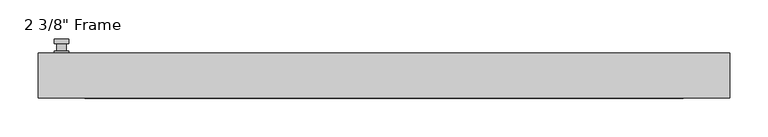
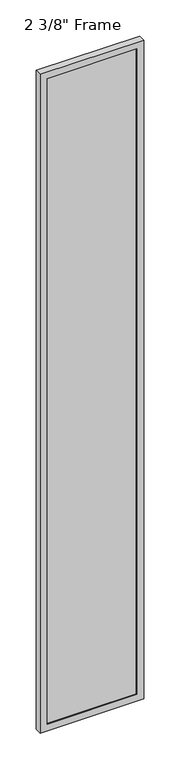
"""IFC4 building model written with IfcOpenShell, lengths in millimetres: plate geometry."""

import ifcopenshell
import ifcopenshell.guid

model = None  # the IFC model being written
_history = None  # IfcOwnerHistory: only IFC2X3 demands one
_inside = {}  # id of a spatial element -> (the spatial element, [elements in it])
_under = {}  # id of a project, library or spatial element -> (it, [spatial elements below it])
_declared = {}  # id of a project -> (the project, [libraries it declares])
_typed = {}  # id of a type object -> (the type object, [elements of that type])
_made_of = {}  # id of a material, layer set ... -> (it, [elements and type objects made of it])


def new_model(schema):
    """Start an empty IFC model of exactly this schema.

    Asked for "IFC4X3", IfcOpenShell would pick the latest addendum, in which some entities
    have other attributes; the version numbers below select the first issue.
    IFC2X3 requires an IfcOwnerHistory on every rooted entity: one is made here for all.
    """
    global model, _history
    if schema == "IFC4X3":
        model = ifcopenshell.file(schema_version=(4, 3, 0, 0))
    else:
        model = ifcopenshell.file(schema=schema)
    _inside.clear()
    _under.clear()
    _declared.clear()
    _typed.clear()
    _made_of.clear()
    _history = None
    if model.schema == "IFC2X3":
        org = make("IfcOrganization", Name="unknown")
        user = make(
            "IfcPersonAndOrganization",
            ThePerson=make("IfcPerson", FamilyName="unknown"),
            TheOrganization=org,
        )
        app = make(
            "IfcApplication",
            ApplicationDeveloper=org,
            Version="unknown",
            ApplicationFullName="unknown",
            ApplicationIdentifier="unknown",
        )
        _history = make(
            "IfcOwnerHistory",
            OwningUser=user,
            OwningApplication=app,
            ChangeAction="ADDED",
            CreationDate=0,
        )
    return model


def make(cls, **values):
    """One entity of the class cls with the attributes given. An attribute that is None is left unset."""
    return model.create_entity(
        cls, **{name: value for name, value in values.items() if value is not None}
    )


def rooted(cls, **values):
    """An entity with a GlobalId (a new one), such as an element, a storey or a relation."""
    return make(cls, GlobalId=ifcopenshell.guid.new(), OwnerHistory=_history, **values)


def si_unit(unit_type, name, prefix=None):
    """IfcSIUnit, for example si_unit("LENGTHUNIT", "METRE", prefix="MILLI")."""
    return make("IfcSIUnit", UnitType=unit_type, Prefix=prefix, Name=name)


def assignment(units):
    """IfcUnitAssignment: the units of a project."""
    return None if units is None else make("IfcUnitAssignment", Units=units)


def point(xyz):
    """IfcCartesianPoint."""
    return None if xyz is None else make("IfcCartesianPoint", Coordinates=xyz)


def direction(xyz):
    """IfcDirection."""
    return None if xyz is None else make("IfcDirection", DirectionRatios=xyz)


def frame(location, z_axis=None, x_axis=None):
    """IfcAxis2Placement3D, a coordinate frame: its origin and axes. An axis left out is left unset."""
    return make(
        "IfcAxis2Placement3D",
        Location=point(location),
        Axis=direction(z_axis),
        RefDirection=direction(x_axis),
    )


def origin():
    """The frame at (0, 0, 0) with its axes left unset."""
    return frame((0.0, 0.0, 0.0))


def place(relative_to, where):
    """IfcLocalPlacement: puts the frame where relative to a parent placement (None: the world)."""
    return make(
        "IfcLocalPlacement", PlacementRelTo=relative_to, RelativePlacement=where
    )


def context(
    kind, dimensions, precision=None, world=None, true_north=None, identifier=None
):
    """IfcGeometricRepresentationContext, for example the 3D "Model" context."""
    return make(
        "IfcGeometricRepresentationContext",
        ContextIdentifier=identifier,
        ContextType=kind,
        CoordinateSpaceDimension=dimensions,
        Precision=precision,
        WorldCoordinateSystem=world,
        TrueNorth=true_north,
    )


def project(units=None, contexts=None):
    """IfcProject with its units and contexts."""
    return rooted(
        "IfcProject",
        Name="project",
        RepresentationContexts=contexts,
        UnitsInContext=assignment(units),
    )


def spatial(cls, under=None, at=None, **own):
    """A site, building, storey or space (cls), placed at a placement, below another one or the project."""
    s = rooted(cls, ObjectPlacement=at, **own)
    if under is not None:
        _under.setdefault(under.id(), (under, []))[1].append(s)
    return s


def polyline(points):
    """IfcPolyline through the points."""
    return make("IfcPolyline", Points=[point(p) for p in points])


def circle_curve(where, radius):
    """IfcCircle in the frame where."""
    return make("IfcCircle", Position=where, Radius=radius)


def outline(outer, holes=None, kind="AREA"):
    """IfcArbitraryClosedProfileDef: a profile drawn as a closed curve; with holes, ...WithVoids."""
    if holes is None:
        return make("IfcArbitraryClosedProfileDef", ProfileType=kind, OuterCurve=outer)
    return make(
        "IfcArbitraryProfileDefWithVoids",
        ProfileType=kind,
        OuterCurve=outer,
        InnerCurves=holes,
    )


def extrude(swept, where, along, depth):
    """IfcExtrudedAreaSolid: the profile swept, set in the frame where, extruded along a direction by depth."""
    return make(
        "IfcExtrudedAreaSolid",
        SweptArea=swept,
        Position=where,
        ExtrudedDirection=direction(along),
        Depth=depth,
    )


def faces_of(points, faces, orient=None, outer=None):
    """IfcFace entities. A face is a list of loops; a loop is a list of indices into points, from 0.

    orient and outer hold one flag for each loop. By default every Orientation is true, the
    first loop of a face is its IfcFaceOuterBound and the others are IfcFaceBound.
    """
    made = []
    for i, loops in enumerate(faces):
        bounds = []
        for j, loop in enumerate(loops):
            is_outer = j == 0 if outer is None else outer[i][j]
            bounds.append(
                make(
                    "IfcFaceOuterBound" if is_outer else "IfcFaceBound",
                    Bound=make("IfcPolyLoop", Polygon=[points[k] for k in loop]),
                    Orientation=True if orient is None else orient[i][j],
                )
            )
        made.append(make("IfcFace", Bounds=bounds))
    return made


def faceted_brep(points, faces, orient=None, outer=None, voids=None):
    """IfcFacetedBrep: a solid bounded by flat faces; with voids (closed shells), ...WithVoids."""
    shared = [point(p) for p in points]
    hull = make("IfcClosedShell", CfsFaces=faces_of(shared, faces, orient, outer))
    if voids is None:
        return make("IfcFacetedBrep", Outer=hull)
    return make(
        "IfcFacetedBrepWithVoids",
        Outer=hull,
        Voids=[
            make(cls, CfsFaces=faces_of(shared, fs, o, b)) for cls, fs, o, b in voids
        ],
    )


def shape(context_of_items, identifier, shape_type, items):
    """IfcShapeRepresentation: the items that make up one representation, for example the "Body"."""
    return make(
        "IfcShapeRepresentation",
        ContextOfItems=context_of_items,
        RepresentationIdentifier=identifier,
        RepresentationType=shape_type,
        Items=items,
    )


def source(mapping_origin, context_of_items, identifier, shape_type, items):
    """IfcRepresentationMap: a shape defined once, which mapped items show again and again."""
    return make(
        "IfcRepresentationMap",
        MappingOrigin=mapping_origin,
        MappedRepresentation=shape(context_of_items, identifier, shape_type, items),
    )


def transform(
    local_origin,
    x_axis=None,
    y_axis=None,
    z_axis=None,
    scale=None,
    scale2=None,
    scale3=None,
    uniform=True,
):
    """IfcCartesianTransformationOperator3D, or its non-uniform kind. x_axis, y_axis, z_axis: its Axis1, 2, 3."""
    if uniform:
        return make(
            "IfcCartesianTransformationOperator3D",
            Axis1=direction(x_axis),
            Axis2=direction(y_axis),
            LocalOrigin=point(local_origin),
            Scale=scale,
            Axis3=direction(z_axis),
        )
    return make(
        "IfcCartesianTransformationOperator3DnonUniform",
        Axis1=direction(x_axis),
        Axis2=direction(y_axis),
        LocalOrigin=point(local_origin),
        Scale=scale,
        Axis3=direction(z_axis),
        Scale2=scale2,
        Scale3=scale3,
    )


def mapped(mapping_source, mapping_target):
    """IfcMappedItem: shows the shape of a source again, moved by a transform."""
    return make(
        "IfcMappedItem", MappingSource=mapping_source, MappingTarget=mapping_target
    )


def made_of(thing, what):
    """Note that an element or type object is made of a material, layer set ...; save() writes the relation."""
    if what is not None:
        _made_of.setdefault(what.id(), (what, []))[1].append(thing)
    return thing


def element(
    cls,
    number,
    at=None,
    inside=None,
    cuts=None,
    type_object=None,
    material=None,
    context=None,
    identifier="Body",
    shape_type=None,
    held_by="IfcProductDefinitionShape",
    body=None,
    shapes=None,
    **own,
):
    """One element of the class cls, such as IfcWall. Its Tag is "e" and its number.

    at: its placement. inside: the storey or other place that contains it. cuts: it is an
    opening in that element (IfcRelVoidsElement). A single representation is given by context,
    identifier, shape_type and body (its items); several are given by shapes. held_by: the class
    of the entity that holds the representations. save() writes the other relations.
    """
    e = rooted(cls, Tag="e%d" % number, ObjectPlacement=at, **own)
    if body is not None:
        shapes = [shape(context, identifier, shape_type, body)]
    if shapes is not None:
        e.Representation = make(held_by, Representations=shapes)
    if inside is not None:
        _inside.setdefault(inside.id(), (inside, []))[1].append(e)
    if cuts is not None:
        rooted(
            "IfcRelVoidsElement", RelatingBuildingElement=cuts, RelatedOpeningElement=e
        )
    if type_object is not None:
        _typed.setdefault(type_object.id(), (type_object, []))[1].append(e)
    return made_of(e, material)


def aggregate(whole, parts):
    """IfcRelAggregates: a whole, such as a stair, and the parts it consists of."""
    return rooted("IfcRelAggregates", RelatingObject=whole, RelatedObjects=parts)


def save(model, path):
    """Write the relations noted so far, then the file.

    IfcRelAggregates (storeys below a building ...), IfcRelContainedInSpatialStructure (elements
    in a storey), IfcRelDefinesByType, IfcRelAssociatesMaterial and IfcRelDeclares: one each for
    every whole, place, type object, material and project.
    """
    for whole, parts in _under.values():
        aggregate(whole, parts)
    for where, things in _inside.values():
        rooted(
            "IfcRelContainedInSpatialStructure",
            RelatedElements=things,
            RelatingStructure=where,
        )
    for kind, things in _typed.values():
        rooted("IfcRelDefinesByType", RelatedObjects=things, RelatingType=kind)
    for what, things in _made_of.values():
        rooted("IfcRelAssociatesMaterial", RelatedObjects=things, RelatingMaterial=what)
    for by, libraries in _declared.values():
        rooted("IfcRelDeclares", RelatingContext=by, RelatedDefinitions=libraries)
    model.write(path)


def plane_surface(at):
    """IfcPlane: the flat surface through the origin of the frame at, square to its z axis."""
    return make("IfcPlane", Position=at)


def cylinder_surface(at, radius):
    """IfcCylindricalSurface: all points at the distance radius from the z axis of the frame at."""
    return make("IfcCylindricalSurface", Position=at, Radius=radius)


def advanced_brep(points, edges, surfaces, faces):
    """IfcAdvancedBrep: a solid bounded by faces that lie on surfaces and meet in shared edges.

    An edge is (start, end): straight between two places in points (the first is 0);
    or (start, end, curve); or (start, end, curve, False) where it runs against its curve.
    A face is (place in surfaces, loops), or (place, loops, False) where it looks against
    its surface's normal. A loop lists edges by number (the first is 1), with a minus sign
    where the edge is run from its end to its start. The first loop is the outer one.
    """
    corners = [point(p) for p in points]
    vertices = [make("IfcVertexPoint", VertexGeometry=c) for c in corners]
    made = []
    for start, end, *more in edges:
        made.append(
            make(
                "IfcEdgeCurve",
                EdgeStart=vertices[start],
                EdgeEnd=vertices[end],
                EdgeGeometry=more[0] if more else make("IfcPolyline", Points=[corners[start], corners[end]]),
                SameSense=more[1] if len(more) > 1 else True,
            )
        )
    hull = []
    for where, loops, *sense in faces:
        bounds = []
        for j, loop in enumerate(loops):
            ring = [make("IfcOrientedEdge", EdgeElement=made[abs(k) - 1], Orientation=k > 0) for k in loop]
            bounds.append(
                make(
                    "IfcFaceOuterBound" if j == 0 else "IfcFaceBound",
                    Bound=make("IfcEdgeLoop", EdgeList=ring),
                    Orientation=True,
                )
            )
        hull.append(make("IfcAdvancedFace", Bounds=bounds, FaceSurface=surfaces[where], SameSense=sense[0] if sense else True))
    return make("IfcAdvancedBrep", Outer=make("IfcClosedShell", CfsFaces=hull))


def plate_f124cdc3(model_context):
    return source(origin(), model_context, "Body", "SolidModel", [
        advanced_brep(
        [(-410.5275, 29.36875, 927.1), (-429.5775, 29.36875, 927.1), (-429.5775, 29.36875, 901.7), (-410.5275, 29.36875, 901.7), (-413.7025, 42.06875, 914.4), (-413.7025, 32.54375, 914.4), (-426.4025, 32.54375, 914.4), (-426.4025, 42.06875, 914.4), (-410.5275, 42.06875, 914.4), (-429.5775, 42.06875, 914.4), (-426.3984644, 42.06875, 825.2736467), (-413.7065356, 42.06875, 825.2736467), (-410.5275, 48.41875, 914.4), (-413.7065356, 48.41875, 825.2736467), (-426.3984644, 48.41875, 825.2736467), (-429.5775, 48.41875, 914.4), (-410.5275, 32.54375, 927.1), (-410.5275, 32.54375, 901.7), (-429.5775, 32.54375, 901.7), (-429.5775, 32.54375, 927.1)],
        [
            (0, 1, circle_curve(frame((-420.0525, 29.36875, 927.1), z_axis=(0.0, -1.0, 0.0), x_axis=(-1.0, 0.0, 0.0)), 9.525)),
            (1, 2),
            (2, 3, circle_curve(frame((-420.0525, 29.36875, 901.7), z_axis=(0.0, -1.0, 0.0), x_axis=(-1.0, 0.0, 0.0)), 9.525)),
            (3, 0),
            (4, 5),
            (5, 6, circle_curve(frame((-420.0525, 32.54375, 914.4), z_axis=(0.0, 1.0, 0.0), x_axis=(-1.0, 0.0, 0.0)), 6.35)),
            (6, 7),
            (7, 4, circle_curve(frame((-420.0525, 42.06875, 914.4), z_axis=(0.0, -1.0, 0.0), x_axis=(-1.0, 0.0, 0.0)), 6.35)),
            (6, 5, circle_curve(frame((-420.0525, 32.54375, 914.4), z_axis=(0.0, 1.0, 0.0), x_axis=(-1.0, 0.0, 0.0)), 6.35)),
            (4, 7, circle_curve(frame((-420.0525, 42.06875, 914.4), z_axis=(0.0, -1.0, 0.0), x_axis=(-1.0, 0.0, 0.0)), 6.35)),
            (8, 9, circle_curve(frame((-420.0525, 42.06875, 914.4), z_axis=(0.0, -1.0, 0.0), x_axis=(-1.0, 0.0, 0.0)), 9.525)),
            (9, 10),
            (10, 11, circle_curve(frame((-420.0525, 42.06875, 825.5), z_axis=(0.0, -1.0, 0.0), x_axis=(-1.0, 0.0, 0.0)), 6.35)),
            (11, 8),
            (12, 13),
            (13, 14, circle_curve(frame((-420.0525, 48.41875, 825.5), z_axis=(0.0, 1.0, 0.0), x_axis=(-1.0, 0.0, 0.0)), 6.35)),
            (14, 15),
            (15, 12, circle_curve(frame((-420.0525, 48.41875, 914.4), z_axis=(0.0, 1.0, 0.0), x_axis=(-1.0, 0.0, 0.0)), 9.525)),
            (11, 13),
            (12, 8),
            (10, 14),
            (9, 15),
            (16, 17),
            (17, 18, circle_curve(frame((-420.0525, 32.54375, 901.7), z_axis=(0.0, 1.0, 0.0), x_axis=(-1.0, 0.0, 0.0)), 9.525)),
            (18, 19),
            (19, 16, circle_curve(frame((-420.0525, 32.54375, 927.1), z_axis=(0.0, 1.0, 0.0), x_axis=(-1.0, 0.0, 0.0)), 9.525)),
            (3, 17),
            (16, 0),
            (2, 18),
            (1, 19),
        ],
        [
            plane_surface(frame((-426.4025, 29.36875, 914.4), z_axis=(0.0, -1.0, 0.0), x_axis=(0.0, 0.0, 1.0))),
            cylinder_surface(frame((-420.0525, 42.06875, 914.4), z_axis=(0.0, -1.0, 0.0), x_axis=(-1.0, 0.0, 0.0)), 6.35),
            plane_surface(frame((-410.5275, 42.06875, 914.4), z_axis=(0.0, -1.0000000000000002, 0.0), x_axis=(-0.03564619348186888, 0.0, -0.9993644724975235))),
            plane_surface(frame((-410.5275, 48.41875, 914.4), z_axis=(0.0, 1.0000000000000002, 0.0), x_axis=(0.03564619348186888, 0.0, 0.9993644724975235))),
            plane_surface(frame((-410.5275, 42.06875, 914.4), z_axis=(0.9993644724975235, 0.0, -0.03564619348186888), x_axis=(0.0, 1.0, 0.0))),
            cylinder_surface(frame((-420.0525, 48.41875, 825.5), z_axis=(0.0, -1.0, 0.0), x_axis=(-1.0, 0.0, 0.0)), 6.35),
            plane_surface(frame((-426.3984644, 42.06875, 825.2736467), z_axis=(-0.9993644724975228, 0.0, -0.03564619348188612), x_axis=(0.0, 1.0, 0.0))),
            cylinder_surface(frame((-420.0525, 48.41875, 914.4), z_axis=(0.0, -1.0, 0.0), x_axis=(-1.0, 0.0, 0.0)), 9.525),
            plane_surface(frame((-410.5275, 32.54375, 901.7), z_axis=(0.0, 1.0, 0.0), x_axis=(0.0, 0.0, 1.0))),
            plane_surface(frame((-410.5275, 29.36875, 927.1), z_axis=(1.0, 0.0, 0.0), x_axis=(0.0, 1.0, 0.0))),
            cylinder_surface(frame((-420.0525, 32.54375, 901.7), z_axis=(0.0, -1.0, 0.0), x_axis=(-1.0, 0.0, 0.0)), 9.525),
            plane_surface(frame((-429.5775, 29.36875, 901.7), z_axis=(-1.0, 0.0, 0.0), x_axis=(0.0, 1.0, 0.0))),
            cylinder_surface(frame((-420.0525, 32.54375, 927.1), z_axis=(0.0, -1.0, 0.0), x_axis=(-1.0, 0.0, 0.0)), 9.525),
        ],
        [
            (0, [[1, 2, 3, 4]]),
            (1, [[5, 6, 7, 8]]),
            (1, [[-7, 9, -5, 10]]),
            (2, [[11, 12, 13, 14], [-10, -8]]),
            (3, [[15, 16, 17, 18]]),
            (4, [[19, -15, 20, -14]]),
            (5, [[21, -16, -19, -13]]),
            (6, [[22, -17, -21, -12]]),
            (7, [[-20, -18, -22, -11]]),
            (8, [[23, 24, 25, 26], [-9, -6]]),
            (9, [[27, -23, 28, -4]]),
            (10, [[29, -24, -27, -3]]),
            (11, [[30, -25, -29, -2]]),
            (12, [[-28, -26, -30, -1]]),
        ],
    ),
        faceted_brep([(-450.215, 29.36875, 0.0), (450.215, 29.36875, 0.0), (450.215, -29.36875, 0.0), (-450.215, -29.36875, 0.0), (-389.89, -29.36875, 5988.05), (-389.89, -29.36875, 60.325), (-389.89, -19.84375, 60.325), (-389.89, -19.84375, 5988.05), (402.59, -19.84375, 6000.75), (402.59, -19.84375, 47.625), (-402.59, -19.84375, 47.625), (-402.59, -19.84375, 6000.75), (389.89, -19.84375, 60.325), (389.89, -19.84375, 5988.05), (-402.59, 3.96875, 47.625), (-402.59, 3.96875, 6000.75), (402.59, 3.96875, 47.625), (402.59, 3.96875, 6000.75), (-389.89, 3.96875, 5988.05), (389.89, 3.96875, 5988.05), (389.89, 3.96875, 60.325), (-389.89, 3.96875, 60.325), (-389.89, 29.36875, 60.325), (-389.89, 29.36875, 5988.05), (-450.215, 29.36875, 6048.375), (450.215, 29.36875, 6048.375), (389.89, 29.36875, 60.325), (389.89, 29.36875, 5988.05), (-450.215, -29.36875, 6048.375), (450.215, -29.36875, 6048.375), (389.89, -29.36875, 5988.05), (389.89, -29.36875, 60.325)], [[[0, 1, 2, 3]], [[4, 5, 6, 7]], [[8, 9, 10, 11], [7, 6, 12, 13]], [[10, 14, 15, 11]], [[15, 14, 16, 17], [18, 19, 20, 21]], [[18, 21, 22, 23]], [[0, 24, 25, 1], [23, 22, 26, 27]], [[3, 28, 24, 0]], [[2, 29, 28, 3], [4, 30, 31, 5]], [[7, 13, 30, 4]], [[11, 15, 17, 8]], [[18, 23, 27, 19]], [[24, 28, 29, 25]], [[13, 12, 31, 30]], [[16, 9, 8, 17]], [[27, 26, 20, 19]], [[25, 29, 2, 1]], [[22, 21, 20, 26]], [[9, 16, 14, 10]], [[6, 5, 31, 12]]]),
        extrude(outline(polyline([(402.59, 3.96875), (402.59, -19.84375), (-402.59, -19.84375), (-402.59, 3.96875), (402.59, 3.96875)])), frame((0.0, 0.0, 47.625), z_axis=(0.0, 0.0, 1.0), x_axis=(1.0, 0.0, 0.0)), (0.0, 0.0, 1.0), 5953.125),
    ])


if __name__ == "__main__":
    model = new_model("IFC4")
    model_context = context("Model", 3, world=origin())
    ifc_project = project(units=[si_unit("LENGTHUNIT", "METRE", prefix="MILLI")], contexts=[model_context])
    site = spatial("IfcSite", under=ifc_project)
    building = spatial("IfcBuilding", under=site)
    placement = place(None, origin())
    plate_shape = plate_f124cdc3(model_context)
    element("IfcPlate", 1, ObjectType="2 3/8\" Frame", at=placement, inside=building, context=model_context, shape_type="MappedRepresentation", body=[
        mapped(plate_shape, transform((0.0, 0.0, 0.0), x_axis=(1.0, 0.0, 0.0), y_axis=(0.0, 1.0, 0.0), z_axis=(0.0, 0.0, 1.0))),
    ])
    save(model, "model.ifc")
